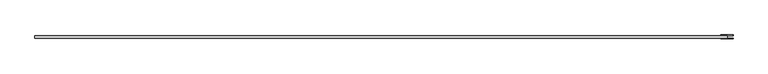
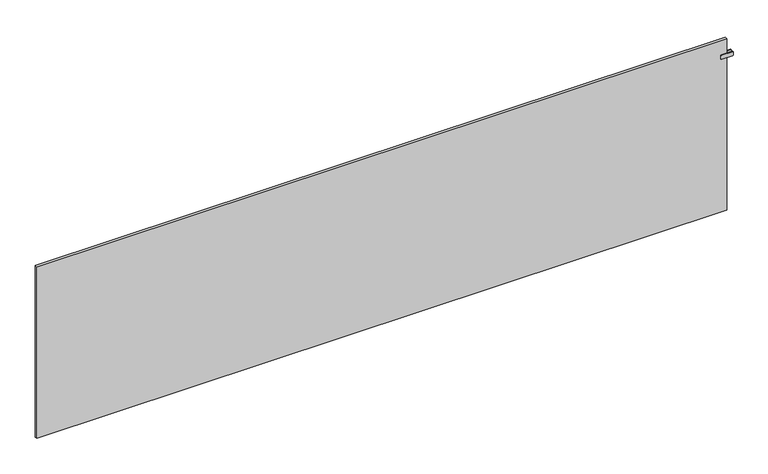
"""IFC4 building model written with IfcOpenShell, lengths in millimetres: plate geometry."""

from ifc_helpers import new_model, si_unit, point, frame, frame_2d, origin, origin_with_axes, place, context, project, spatial, polyline, circle_curve, trimmed, segment, composite_curve, outline, extrude, source, transform, mapped, element, save


def plate_ded6b409(model_context):
    return source(origin(), model_context, "Body", "SweptSolid", [
        extrude(outline(polyline([(1997.5, -38.75), (1992.5, -38.75), (1992.5, -25.25), (1997.5, -25.25), (1997.5, -38.75)])), frame((0.0, 0.0, 937.5), z_axis=(0.0, 0.0, 1.0), x_axis=(1.0, 0.0, 0.0)), (0.0, 0.0, 1.0), 25.0),
        extrude(outline(composite_curve([segment(polyline([(937.5, 1963.0), (937.5, 2027.0)]), True, "CONTINUOUS"), segment(trimmed(circle_curve(frame_2d((940.5, 2027.0)), 3.0), [point((937.5, 2027.0))], [point((940.5, 2030.0))], False, "CARTESIAN"), True, "CONTINUOUS"), segment(polyline([(940.5, 2030.0), (959.5, 2030.0)]), True, "CONTINUOUS"), segment(trimmed(circle_curve(frame_2d((959.5, 2027.0)), 3.0), [point((959.5, 2030.0))], [point((962.5, 2027.0))], False, "CARTESIAN"), True, "CONTINUOUS"), segment(polyline([(962.5, 2027.0), (962.5, 1963.0)]), True, "CONTINUOUS"), segment(trimmed(circle_curve(frame_2d((959.5, 1963.0)), 3.0), [point((962.5, 1963.0))], [point((959.5, 1960.0))], False, "CARTESIAN"), True, "CONTINUOUS"), segment(polyline([(959.5, 1960.0), (940.5, 1960.0)]), True, "CONTINUOUS"), segment(trimmed(circle_curve(frame_2d((940.5, 1963.0)), 3.0), [point((940.5, 1960.0))], [point((937.5, 1963.0))], False, "CARTESIAN"), True, "CONTINUOUS")], self_intersect=False)), frame((0.0, -25.25, 0.0), z_axis=(0.0, 1.0, 0.0), x_axis=(0.0, 0.0, 1.0)), (0.0, 0.0, 1.0), 5.0),
        extrude(outline(composite_curve([segment(polyline([(937.5, 1963.0), (937.5, 2027.0)]), True, "CONTINUOUS"), segment(trimmed(circle_curve(frame_2d((940.5, 2027.0)), 3.0), [point((937.5, 2027.0))], [point((940.5, 2030.0))], False, "CARTESIAN"), True, "CONTINUOUS"), segment(polyline([(940.5, 2030.0), (959.5, 2030.0)]), True, "CONTINUOUS"), segment(trimmed(circle_curve(frame_2d((959.5, 2027.0)), 3.0), [point((959.5, 2030.0))], [point((962.5, 2027.0))], False, "CARTESIAN"), True, "CONTINUOUS"), segment(polyline([(962.5, 2027.0), (962.5, 1963.0)]), True, "CONTINUOUS"), segment(trimmed(circle_curve(frame_2d((959.5, 1963.0)), 3.0), [point((962.5, 1963.0))], [point((959.5, 1960.0))], False, "CARTESIAN"), True, "CONTINUOUS"), segment(polyline([(959.5, 1960.0), (940.5, 1960.0)]), True, "CONTINUOUS"), segment(trimmed(circle_curve(frame_2d((940.5, 1963.0)), 3.0), [point((940.5, 1960.0))], [point((937.5, 1963.0))], False, "CARTESIAN"), True, "CONTINUOUS")], self_intersect=False)), frame((0.0, -43.75, 0.0), z_axis=(0.0, 1.0, 0.0), x_axis=(0.0, 0.0, 1.0)), (0.0, 0.0, 1.0), 5.0),
        extrude(outline(polyline([(1995.0, -25.25), (1995.0, -38.75), (-1995.0, -38.75), (-1995.0, -25.25), (1995.0, -25.25)])), origin_with_axes(), (0.0, 0.0, 1.0), 1050.0),
    ])


if __name__ == "__main__":
    model = new_model("IFC4")
    model_context = context("Model", 3, world=origin())
    ifc_project = project(units=[si_unit("LENGTHUNIT", "METRE", prefix="MILLI")], contexts=[model_context])
    site = spatial("IfcSite", under=ifc_project)
    building = spatial("IfcBuilding", under=site)
    placement = place(None, origin())
    plate_shape = plate_ded6b409(model_context)
    element("IfcPlate", 1, at=placement, inside=building, context=model_context, shape_type="MappedRepresentation", body=[
        mapped(plate_shape, transform((0.0, 0.0, 0.0), x_axis=(1.0, 0.0, 0.0), y_axis=(0.0, 1.0, 0.0), z_axis=(0.0, 0.0, 1.0))),
    ])
    save(model, "model.ifc")
